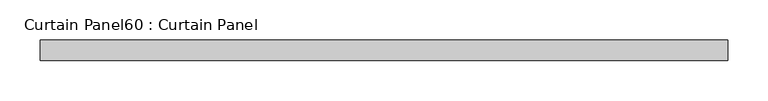
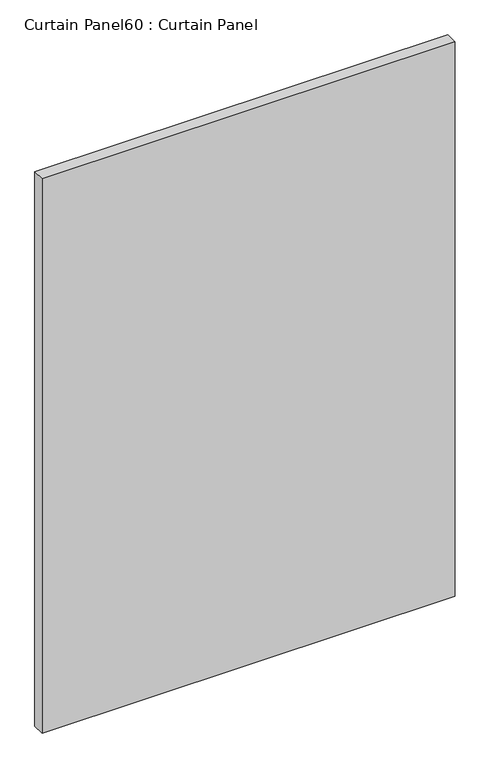
"""IFC4 building model written with IfcOpenShell, lengths in millimetres: plate geometry, Curtain Panel60 : Curtain Panel."""

from ifc_helpers import new_model, si_unit, frame, origin, place, context, project, spatial, polyline, outline, extrude, source, transform, mapped, element, save


def curtain_panel60_curtain_panel_e2721b46(model_context):
    return source(origin(), model_context, "Body", "SweptSolid", [
        extrude(outline(polyline([(-38287.8665979, -3859.9631042), (-39142.3309118, -3859.9631042), (-39142.3309118, -3834.5631042), (-38287.8665979, -3834.5631042), (-38287.8665979, -3859.9631042)])), frame((0.0, 0.0, 1217.432523), z_axis=(0.0, 0.0, 1.0), x_axis=(1.0, 0.0, 0.0)), (0.0, 0.0, 1.0), 1211.4423638),
    ])


if __name__ == "__main__":
    model = new_model("IFC4")
    model_context = context("Model", 3, world=origin())
    ifc_project = project(units=[si_unit("LENGTHUNIT", "METRE", prefix="MILLI")], contexts=[model_context])
    site = spatial("IfcSite", under=ifc_project)
    building = spatial("IfcBuilding", under=site)
    placement = place(None, origin())
    curtain_panel60_curtain_panel_shape = curtain_panel60_curtain_panel_e2721b46(model_context)
    element("IfcPlate", 1, ObjectType="Curtain Panel60 : Curtain Panel", at=placement, inside=building, context=model_context, shape_type="MappedRepresentation", body=[
        mapped(curtain_panel60_curtain_panel_shape, transform((0.0, 0.0, 0.0), x_axis=(1.0, 0.0, 0.0), y_axis=(0.0, 1.0, 0.0), z_axis=(0.0, 0.0, 1.0))),
    ])
    save(model, "model.ifc")
